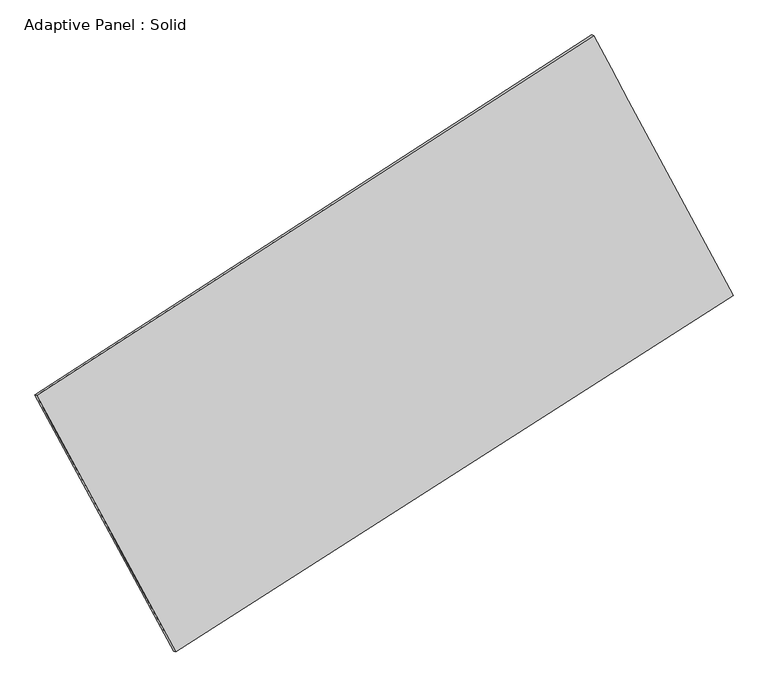
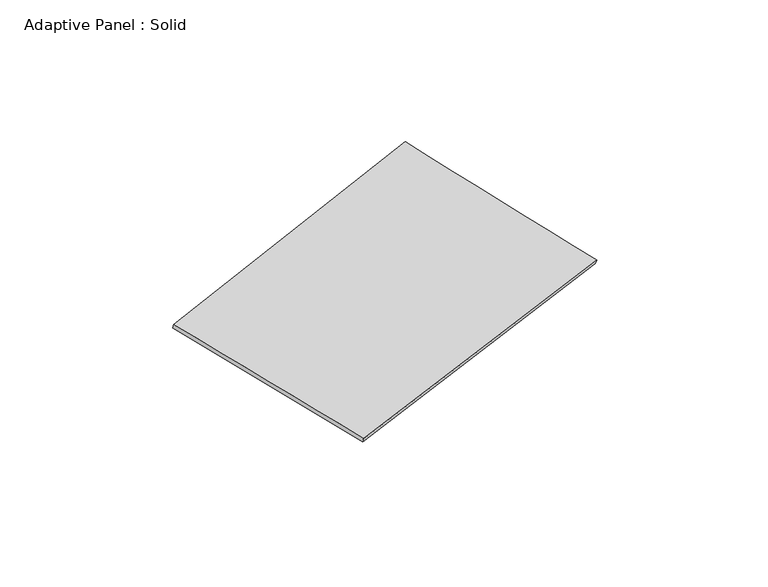
"""IFC4 building model written with IfcOpenShell, lengths in millimetres: plate geometry, Adaptive Panel : Solid."""

from ifc_helpers import new_model, si_unit, frame, origin, place, context, project, spatial, source, transform, mapped, element, save
from ifc_brep_helpers import plane_surface, spline_surface, advanced_brep


def adaptive_panel_solid_a7d3e64d(model_context):
    return source(origin(), model_context, "Body", "AdvancedBrep", [
        advanced_brep(
        [(1174.2652239, 2601.3377831, 680.0349828), (-3692.1744914, -545.1898642, 1742.7957925), (-3677.5081356, -551.5699577, 1790.1687005), (1188.9315797, 2594.9576896, 727.4078908), (-2478.4750831, -2786.6518343, 1085.408461), (-2463.8087273, -2793.0319278, 1132.781369), (2393.0937725, 330.2553426, -23.1167161), (2407.7601283, 323.8752491, 24.2561919)],
        [
            (0, 1),
            (1, 2),
            (2, 3),
            (3, 0),
            (1, 4),
            (4, 5),
            (5, 2),
            (4, 6),
            (6, 7),
            (7, 5),
            (6, 0),
            (3, 7),
        ],
        [
            plane_surface(frame((-1258.9546338, 1028.0739594, 1211.4153877), z_axis=(-0.48298446024955766, 0.8354966907154999, 0.26205207681087306), x_axis=(-0.8259798459772619, -0.5340595124031495, 0.18038218107975318))),
            plane_surface(frame((-3085.3247873, -1665.9208493, 1414.1021268), z_axis=(-0.8386485162038824, -0.5101084427063836, 0.19093989354950167), x_axis=(0.4610670351633028, -0.8514993234343577, -0.24973203894685386))),
            plane_surface(frame((-42.6906553, -1228.1982459, 531.1458724), z_axis=(0.47747906359981973, -0.8390377244587566, -0.2608245401777058), x_axis=(0.8272820230009555, 0.5293081861772161, -0.18824797068024993))),
            plane_surface(frame((1783.6794982, 1465.7965628, 328.4591333), z_axis=(0.8390038374344096, 0.5094492793245322, -0.19113867365357975), x_axis=(-0.4562060232938488, 0.8500633578902287, 0.2631888141293271))),
            spline_surface(1, 1, [[(-3677.5081356, -551.5699577, 1790.1687005), (1188.9315797, 2594.9576896, 727.4078908)], [(-2463.8087273, -2793.0319278, 1132.781369), (2407.7601283, 323.8752491, 24.2561919)]], [2, 2], [2, 2], [0.0, 1.0], [0.0, 1.0]),
            spline_surface(1, 1, [[(2393.0937725, 330.2553426, -23.1167161), (1174.2652239, 2601.3377831, 680.0349828)], [(-2478.4750831, -2786.6518343, 1085.408461), (-3692.1744914, -545.1898642, 1742.7957925)]], [2, 2], [2, 2], [0.0, 1.0], [0.0, 1.0]),
        ],
        [
            (0, [[1, 2, 3, 4]]),
            (1, [[5, 6, 7, -2]]),
            (2, [[8, 9, 10, -6]]),
            (3, [[11, -4, 12, -9]]),
            (4, [[-3, -7, -10, -12]]),
            (5, [[-11, -8, -5, -1]]),
        ],
    ),
    ])


if __name__ == "__main__":
    model = new_model("IFC4")
    model_context = context("Model", 3, world=origin())
    ifc_project = project(units=[si_unit("LENGTHUNIT", "METRE", prefix="MILLI")], contexts=[model_context])
    site = spatial("IfcSite", under=ifc_project)
    building = spatial("IfcBuilding", under=site)
    placement = place(None, origin())
    adaptive_panel_solid_shape = adaptive_panel_solid_a7d3e64d(model_context)
    element("IfcPlate", 1, ObjectType="Adaptive Panel : Solid", at=placement, inside=building, context=model_context, shape_type="MappedRepresentation", body=[
        mapped(adaptive_panel_solid_shape, transform((0.0, 0.0, 0.0), x_axis=(1.0, 0.0, 0.0), y_axis=(0.0, 1.0, 0.0), z_axis=(0.0, 0.0, 1.0))),
    ])
    save(model, "model.ifc")
